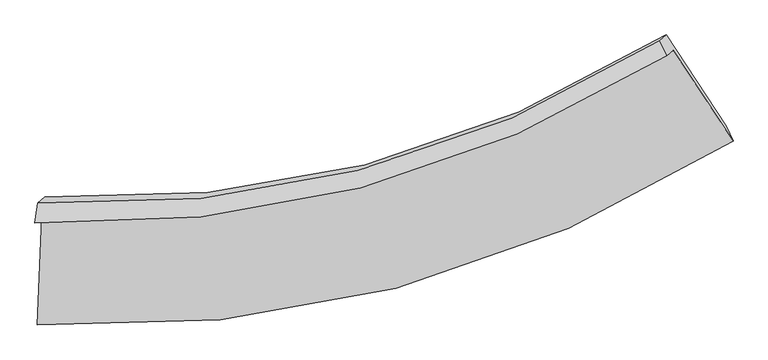
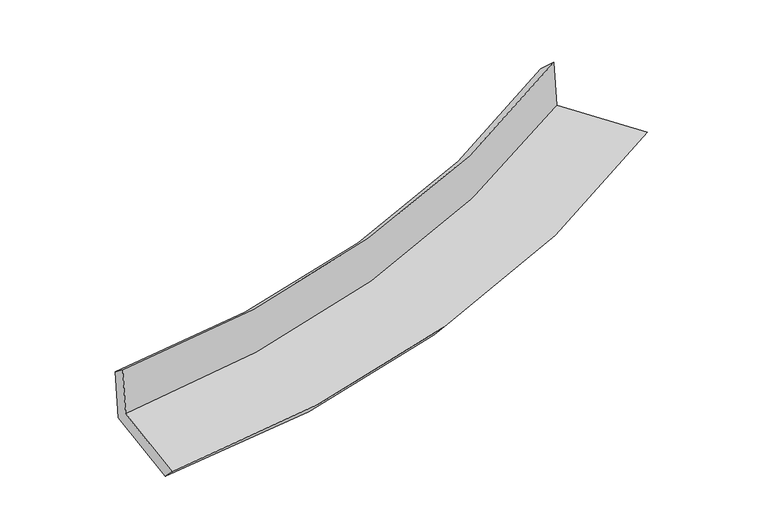
"""IFC4 building model written with IfcOpenShell, lengths in millimetres: proxy geometry."""

from ifc_helpers import new_model, si_unit, frame, origin, place, context, project, spatial, source, transform, mapped, element, save
from ifc_brep_helpers import plane_surface, spline_curve, spline_surface, advanced_brep


def generic_models_0ddd70f2(model_context):
    return source(origin(), model_context, "Body", "AdvancedBrep", [
        advanced_brep(
        [(-2033.823336, -1934.3132265, 2048.3207257), (-1992.0274373, -1900.5767619, 1660.3140615), (1864.9903148, -876.6451828, 2158.2620083), (1824.2333993, -909.5430097, 2536.6234105), (-2017.404887, -1809.4872339, 1950.4839822), (1779.1620993, -817.7104038, 2444.5761747), (-1973.7410152, -1774.2429942, 1545.136238), (1822.4247607, -782.7900098, 2042.953014), (-2000.9496862, -2436.1737367, 1484.6516739), (2190.4203719, -1341.5676016, 2034.0086491), (-2018.9676017, -2555.975293, 1600.4263846), (2230.7792146, -1432.0720258, 2149.3712789)],
        [
            (0, 1),
            (1, 2, spline_curve(3, [(-1992.0274373, -1900.5767619, 1660.3140615), (-1304.780547773, -1923.842932828, 1737.007777605), (-643.116376477, -1852.220429245, 1816.345521544), (643.7528359, -1515.348307653, 1982.204496239), (1267.76124841, -1245.660284833, 2068.849401492), (1864.9903148, -876.6451828, 2158.2620083)], [4, 2, 4], [0.0, 6.607788950800625, 13.36835104821521])),
            (2, 3),
            (3, 0, spline_curve(3, [(1824.2333993, -909.5430097, 2536.6234105), (1227.527247966, -1278.13602956, 2442.356390641), (603.68873299, -1547.686915829, 2354.13426483), (-683.542581673, -1884.851315918, 2191.636817708), (-1345.722978065, -1956.89050195, 2117.091381935), (-2033.823336, -1934.3132265, 2048.3207257)], [4, 2, 4], [0.0, 6.760562097414585, 13.36835104821521])),
            (4, 0),
            (3, 5),
            (5, 4, spline_curve(3, [(1779.1620993, -817.7104038, 2444.5761747), (1191.593276869, -1183.101490358, 2350.230703985), (577.513147731, -1448.257056575, 2261.476251912), (-689.193832145, -1774.370334886, 2097.028687513), (-1340.636031594, -1839.807045454, 2021.085742058), (-2017.404887, -1809.4872339, 1950.4839822)], [4, 2, 4], [0.0, 6.7068164386998, 13.262074258997995])),
            (6, 4),
            (5, 7),
            (7, 6, spline_curve(3, [(1822.4247607, -782.7900098, 2042.953014), (1235.266326923, -1147.849842235, 1944.797754354), (621.423249823, -1412.814066735, 1853.842660477), (-645.157738466, -1738.825648511, 1688.225472572), (-1296.703253428, -1804.345752113, 1613.241641085), (-1973.7410152, -1774.2429942, 1545.136238)], [4, 2, 4], [0.0, 6.653138227802807, 13.155930841250889])),
            (8, 6),
            (7, 9),
            (9, 8, spline_curve(3, [(2190.4203719, -1341.5676016, 2034.0086491), (1542.854665557, -1747.405355965, 1925.800780622), (865.462396754, -2041.319227286, 1825.483078639), (-532.993748346, -2401.186649352, 1642.716657178), (-1252.724831992, -2472.141489499, 1559.915367334), (-2000.9496862, -2436.1737367, 1484.6516739)], [4, 2, 4], [0.0, 7.000713974166302, 13.843227921919603])),
            (10, 8),
            (9, 11),
            (11, 10, spline_curve(3, [(2230.7792146, -1432.0720258, 2149.3712789), (1574.619399035, -1846.18519088, 2049.689485354), (888.002629042, -2146.687029668, 1953.621232434), (-529.940604327, -2516.244759402, 1770.801071121), (-1259.906106309, -2590.377342838, 1683.887692673), (-2018.9676017, -2555.975293, 1600.4263846)], [4, 2, 4], [0.0, 7.401427559219353, 14.635599887088985])),
            (1, 10),
            (11, 2),
        ],
        [
            spline_surface(3, 3, [[(-2033.823336, -1934.3132265, 2048.3207257), (-1345.722978123, -1956.890501914, 2117.091381967), (-683.54258157, -1884.851315922, 2191.63681774), (603.688732885, -1547.686915824, 2354.134264797), (1227.527248078, -1278.136029538, 2442.356390648), (1824.2333993, -909.5430097, 2536.6234105)], [(-2019.891369771, -1923.067738281, 1918.98517098), (-1332.075501343, -1945.874645514, 1990.396847189), (-670.067179858, -1873.97435364, 2066.539718965), (617.043433855, -1536.907379759, 2230.157675301), (1240.938581542, -1267.310781329, 2317.854060929), (1837.819037805, -898.577067403, 2410.502943123)], [(-2005.959403529, -1911.822250119, 1789.64961622), (-1318.42802455, -1934.85878917, 1863.702312371), (-656.591778117, -1863.097391455, 1941.442620221), (630.398134855, -1526.127843792, 2106.181085835), (1254.34991499, -1256.485533113, 2193.351731141), (1851.404676295, -887.611125097, 2284.382475677)], [(-1992.0274373, -1900.5767619, 1660.3140615), (-1304.780547769, -1923.84293277, 1737.007777593), (-643.116376404, -1852.220429172, 1816.345521446), (643.752835825, -1515.348307726, 1982.204496339), (1267.761248454, -1245.660284904, 2068.849401423), (1864.9903148, -876.6451828, 2158.2620083)]], [4, 4], [4, 2, 4], [0.0, 1.237322404042446], [0.0, 6.607788950800625, 13.36835104821521]),
            spline_surface(3, 3, [[(-2017.404887, -1809.4872339, 1950.4839822), (-1340.636031592, -1839.807045427, 2021.08574213), (-689.193832047, -1774.370334909, 2097.028687567), (577.513147631, -1448.257056551, 2261.476251856), (1191.593276826, -1183.101490372, 2350.23070388), (1779.1620993, -817.7104038, 2444.5761747)], [(-2022.877703341, -1851.095898117, 1983.096230041), (-1342.331680443, -1878.834864273, 2053.087622083), (-687.310081883, -1811.197328584, 2128.564730964), (586.238342721, -1481.400342979, 2292.362256176), (1203.571267234, -1214.779670117, 2380.939266111), (1794.185865957, -848.321272457, 2475.258586609)], [(-2028.350519659, -1892.704562283, 2015.708477859), (-1344.027329272, -1917.862683068, 2085.089502014), (-685.426331735, -1848.024322247, 2160.100774343), (594.963537795, -1514.543629396, 2323.248260478), (1215.549257671, -1246.457849793, 2411.647828416), (1809.209632643, -878.932141043, 2505.940998591)], [(-2033.823336, -1934.3132265, 2048.3207257), (-1345.722978123, -1956.890501914, 2117.091381967), (-683.54258157, -1884.851315922, 2191.63681774), (603.688732885, -1547.686915824, 2354.134264797), (1227.527248078, -1278.136029538, 2442.356390648), (1824.2333993, -909.5430097, 2536.6234105)]], [4, 4], [4, 2, 4], [0.0, 0.4641316308014225], [0.0, 6.555257820298195, 13.262074258997995]),
            spline_surface(3, 3, [[(-1973.7410152, -1774.2429942, 1545.136238), (-1296.703253397, -1804.345752107, 1613.241641187), (-645.157738508, -1738.825648498, 1688.225472634), (621.423249867, -1412.814066748, 1853.842660414), (1235.266326924, -1147.849842248, 1944.797754313), (1822.4247607, -782.7900098, 2042.953014)], [(-1988.295639138, -1785.991074071, 1680.252152707), (-1311.3475128, -1816.166183185, 1749.189674809), (-659.836436354, -1750.673877311, 1824.493210958), (606.786549122, -1424.628396692, 1989.720524241), (1220.708643555, -1159.600391605, 2079.942070837), (1808.003873564, -794.430141116, 2176.827400901)], [(-2002.850263062, -1797.739154029, 1815.368067493), (-1325.991772189, -1827.986614349, 1885.137708508), (-674.515134201, -1762.522106096, 1960.760949243), (592.149848376, -1436.442726608, 2125.598388029), (1206.150960195, -1171.350941015, 2215.086387357), (1793.582986436, -806.070272484, 2310.701787799)], [(-2017.404887, -1809.4872339, 1950.4839822), (-1340.636031592, -1839.807045427, 2021.08574213), (-689.193832047, -1774.370334909, 2097.028687567), (577.513147631, -1448.257056551, 2261.476251856), (1191.593276826, -1183.101490372, 2350.23070388), (1779.1620993, -817.7104038, 2444.5761747)]], [4, 4], [4, 2, 4], [0.0, 1.352024830064702], [0.0, 6.502792613448082, 13.155930841250889]),
            spline_surface(3, 3, [[(-2000.9496862, -2436.1737367, 1484.6516739), (-1252.724832006, -2472.141489542, 1559.915367301), (-532.993748267, -2401.186649253, 1642.716657072), (865.462396673, -2041.319227388, 1825.483078748), (1542.854665655, -1747.405355927, 1925.800780733), (2190.4203719, -1341.5676016, 2034.0086491)], [(-1991.880129194, -2215.530155893, 1504.813195271), (-1267.384305797, -2249.542910423, 1577.690791933), (-570.381745033, -2180.399649021, 1657.886262259), (784.116014386, -1831.817507194, 1834.936272636), (1440.325219438, -1547.553518023, 1932.133105268), (2067.755168194, -1155.308404322, 2036.990104075)], [(-1982.810572206, -1994.886575007, 1524.974716629), (-1282.043779606, -2026.944331226, 1595.466216554), (-607.769741742, -1959.61264873, 1673.055867448), (702.769632155, -1622.315786942, 1844.389466526), (1337.795773141, -1347.701680152, 1938.465429778), (1945.089964406, -969.049207078, 2039.971559025)], [(-1973.7410152, -1774.2429942, 1545.136238), (-1296.703253397, -1804.345752107, 1613.241641187), (-645.157738508, -1738.825648498, 1688.225472634), (621.423249867, -1412.814066748, 1853.842660414), (1235.266326924, -1147.849842248, 1944.797754313), (1822.4247607, -782.7900098, 2042.953014)]], [4, 4], [4, 2, 4], [0.0, 2.200089336402439], [0.0, 6.842513947753301, 13.843227921919603]),
            spline_surface(3, 3, [[(-2018.9676017, -2555.975293, 1600.4263846), (-1259.906106239, -2590.377342898, 1683.887692714), (-529.940604269, -2516.244759342, 1770.801071115), (888.002628983, -2146.687029729, 1953.62123244), (1574.619399112, -1846.185190866, 2049.689485444), (2230.7792146, -1432.0720258, 2149.3712789)], [(-2012.961629858, -2516.041440888, 1561.83481439), (-1257.512348153, -2550.965391768, 1642.563584266), (-530.958318928, -2477.892055968, 1728.106266422), (880.48921822, -2111.564428937, 1910.908514531), (1564.031154625, -1813.258579224, 2008.393250538), (2217.326267031, -1401.903884404, 2110.917068964)], [(-2006.955658042, -2476.107588812, 1523.24324411), (-1255.118590093, -2511.553440672, 1601.239475749), (-531.976033609, -2439.539352628, 1685.411461765), (872.975807436, -2076.44182818, 1868.195796657), (1553.442910143, -1780.331967569, 1967.097015639), (2203.873319469, -1371.735742996, 2072.462859036)], [(-2000.9496862, -2436.1737367, 1484.6516739), (-1252.724832006, -2472.141489542, 1559.915367301), (-532.993748267, -2401.186649253, 1642.716657072), (865.462396673, -2041.319227388, 1825.483078748), (1542.854665655, -1747.405355927, 1925.800780733), (2190.4203719, -1341.5676016, 2034.0086491)]], [4, 4], [4, 2, 4], [0.0, 0.5558491520540232], [0.0, 7.234172327869632, 14.635599887088985]),
            spline_surface(3, 3, [[(-1992.0274373, -1900.5767619, 1660.3140615), (-1304.780547769, -1923.84293277, 1737.007777593), (-643.116376404, -1852.220429172, 1816.345521446), (643.752835825, -1515.348307726, 1982.204496339), (1267.761248454, -1245.660284904, 2068.849401423), (1864.9903148, -876.6451828, 2158.2620083)], [(-2001.007492098, -2119.042938949, 1640.351502511), (-1289.822400591, -2146.021069495, 1719.301082611), (-605.39111901, -2073.561872574, 1801.164038007), (725.16943356, -1725.794548405, 1972.67674171), (1370.047298656, -1445.835253556, 2062.462762757), (1986.919948049, -1061.787463798, 2155.298431827)], [(-2009.987546902, -2337.509115951, 1620.388943589), (-1274.864253417, -2368.199206173, 1701.594387695), (-567.665861664, -2294.903315941, 1785.982554555), (806.586031248, -1936.24078905, 1963.148987069), (1472.333348911, -1646.010222214, 2056.076124109), (2108.849581351, -1246.929744802, 2152.334855373)], [(-2018.9676017, -2555.975293, 1600.4263846), (-1259.906106239, -2590.377342898, 1683.887692714), (-529.940604269, -2516.244759342, 1770.801071115), (888.002628983, -2146.687029729, 1953.62123244), (1574.619399112, -1846.185190866, 2049.689485444), (2230.7792146, -1432.0720258, 2149.3712789)]], [4, 4], [4, 2, 4], [0.0, 2.207776895310213], [0.0, 6.947007300418517, 14.054630530422148]),
            plane_surface(frame((1952.0016934, -1026.7213723, 2227.6324226), z_axis=(0.8283453586727801, 0.5433410540657203, 0.13647148321907943), x_axis=(-0.5499624079436403, 0.8350824320283259, 0.013367182443941429))),
            plane_surface(frame((-2006.1523273, -2068.461541, 1714.8888443), z_axis=(-0.9934494729102851, 0.05021529392125834, -0.10264779116317478), x_axis=(-0.10670199911013954, -0.08612682906279177, 0.990553811108457))),
        ],
        [
            (0, [[1, 2, 3, 4]]),
            (1, [[5, -4, 6, 7]]),
            (2, [[8, -7, 9, 10]]),
            (3, [[11, -10, 12, 13]]),
            (4, [[14, -13, 15, 16]]),
            (5, [[17, -16, 18, -2]]),
            (6, [[-12, -9, -6, -3, -18, -15]]),
            (7, [[-1, -5, -8, -11, -14, -17]]),
        ],
    ),
    ])


if __name__ == "__main__":
    model = new_model("IFC4")
    model_context = context("Model", 3, world=origin())
    ifc_project = project(units=[si_unit("LENGTHUNIT", "METRE", prefix="MILLI")], contexts=[model_context])
    site = spatial("IfcSite", under=ifc_project)
    building = spatial("IfcBuilding", under=site)
    placement = place(None, origin())
    generic_models_shape = generic_models_0ddd70f2(model_context)
    element("IfcBuildingElementProxy", 1, Name="Generic Models", at=placement, inside=building, context=model_context, shape_type="MappedRepresentation", body=[
        mapped(generic_models_shape, transform((0.0, 0.0, 0.0), x_axis=(1.0, 0.0, 0.0), y_axis=(0.0, 1.0, 0.0), z_axis=(0.0, 0.0, 1.0))),
    ])
    save(model, "model.ifc")
